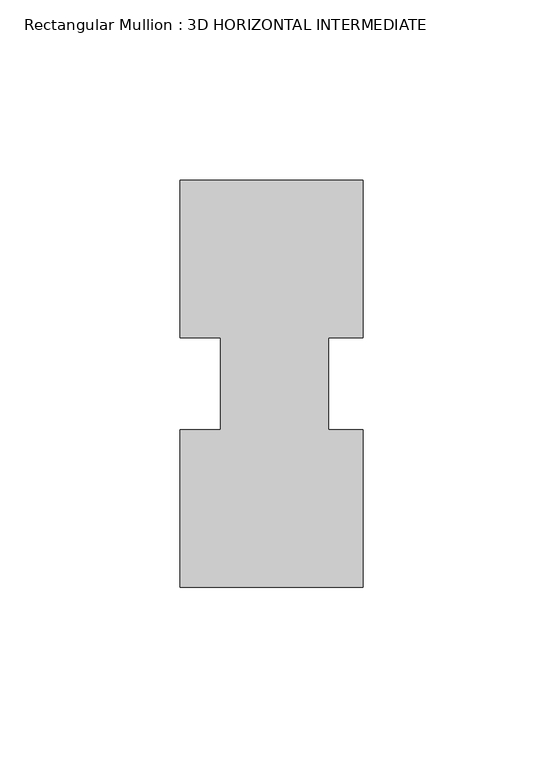
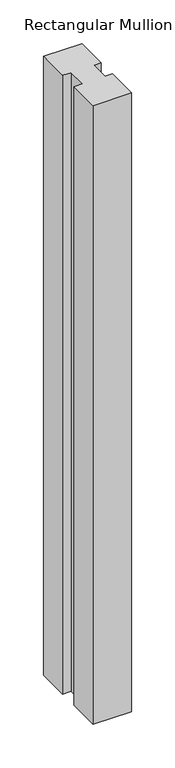
"""IFC4 building model written with IfcOpenShell, lengths in millimetres: member geometry, Rectangular Mullion : 3D HORIZONTAL INTERMEDIATE."""

from ifc_helpers import new_model, si_unit, frame, origin, place, context, project, spatial, polyline, outline, extrude, source, transform, mapped, element, save


def rectangular_mullion_3d_horizontal_intermediate_2bd17b60(model_context):
    return source(origin(), model_context, "Body", "SweptSolid", [
        extrude(outline(polyline([(24.4527147, 12.7295207), (14.9404146, 12.7295207), (14.9404146, -12.7581776), (24.4527147, -12.7581776), (24.4527147, -56.5435115), (-26.3472853, -56.5435115), (-26.3472853, -12.7581776), (-14.9939298, -12.7581776), (-14.9939298, 12.7295207), (-26.3282353, 12.7295207), (-26.3282353, 56.5372885), (24.4527147, 56.5372885), (24.4527147, 12.7295207)])), frame((0.0, 0.0, -863.6), z_axis=(0.0, 0.0, 1.0), x_axis=(1.0, 0.0, 0.0)), (0.0, 0.0, 1.0), 863.6),
    ])


if __name__ == "__main__":
    model = new_model("IFC4")
    model_context = context("Model", 3, world=origin())
    ifc_project = project(units=[si_unit("LENGTHUNIT", "METRE", prefix="MILLI")], contexts=[model_context])
    site = spatial("IfcSite", under=ifc_project)
    building = spatial("IfcBuilding", under=site)
    placement = place(None, origin())
    rectangular_mullion_3d_horizontal_intermediate_shape = rectangular_mullion_3d_horizontal_intermediate_2bd17b60(model_context)
    element("IfcMember", 1, ObjectType="Rectangular Mullion : 3D HORIZONTAL INTERMEDIATE", at=placement, inside=building, context=model_context, shape_type="MappedRepresentation", body=[
        mapped(rectangular_mullion_3d_horizontal_intermediate_shape, transform((0.0, 0.0, 0.0), x_axis=(1.0, 0.0, 0.0), y_axis=(0.0, 1.0, 0.0), z_axis=(0.0, 0.0, 1.0))),
    ])
    save(model, "model.ifc")
